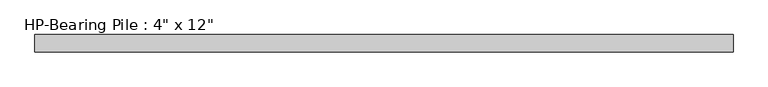
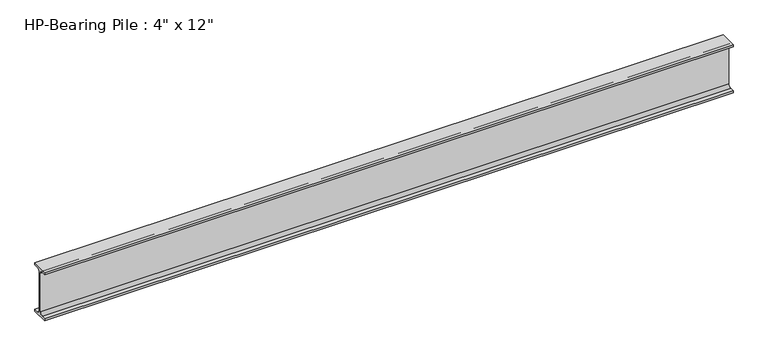
"""IFC4 building model written with IfcOpenShell, lengths in millimetres: beam geometry."""

from ifc_helpers import new_model, si_unit, point, frame, frame_2d, origin, place, context, project, spatial, polyline, circle_curve, trimmed, segment, composite_curve, outline, extrude, source, transform, mapped, element, save


def beam_877b27ff(model_context):
    return source(origin(), model_context, "Body", "SweptSolid", [
        extrude(outline(composite_curve([segment(polyline([(50.8, -139.7), (50.8, -152.4), (-50.8, -152.4), (-50.8, -139.7), (-25.4, -139.7)]), True, "CONTINUOUS"), segment(trimmed(circle_curve(frame_2d((-25.4, -120.65)), 19.05), [point((-25.4, -139.7))], [point((-6.35, -120.65))], True, "CARTESIAN"), True, "CONTINUOUS"), segment(polyline([(-6.35, -120.65), (-6.35, 120.65)]), True, "CONTINUOUS"), segment(trimmed(circle_curve(frame_2d((-25.4, 120.65)), 19.05), [point((-6.35, 120.65))], [point((-25.4, 139.7))], True, "CARTESIAN"), True, "CONTINUOUS"), segment(polyline([(-25.4, 139.7), (-50.8, 139.7), (-50.8, 152.4), (50.8, 152.4), (50.8, 139.7), (25.4, 139.7)]), True, "CONTINUOUS"), segment(trimmed(circle_curve(frame_2d((25.4, 120.65)), 19.05), [point((25.4, 139.7))], [point((6.35, 120.65))], True, "CARTESIAN"), True, "CONTINUOUS"), segment(polyline([(6.35, 120.65), (6.35, -120.65)]), True, "CONTINUOUS"), segment(trimmed(circle_curve(frame_2d((25.4, -120.65)), 19.05), [point((6.35, -120.65))], [point((25.4, -139.7))], True, "CARTESIAN"), True, "CONTINUOUS"), segment(polyline([(25.4, -139.7), (50.8, -139.7)]), True, "CONTINUOUS")], self_intersect=False)), frame((-2057.4, 0.0, 0.0), z_axis=(1.0, 0.0, 0.0), x_axis=(0.0, 1.0, 0.0)), (0.0, 0.0, 1.0), 4114.8),
    ])


if __name__ == "__main__":
    model = new_model("IFC4")
    model_context = context("Model", 3, world=origin())
    ifc_project = project(units=[si_unit("LENGTHUNIT", "METRE", prefix="MILLI")], contexts=[model_context])
    site = spatial("IfcSite", under=ifc_project)
    building = spatial("IfcBuilding", under=site)
    placement = place(None, origin())
    beam_shape = beam_877b27ff(model_context)
    element("IfcBeam", 1, ObjectType="HP-Bearing Pile : 4\" x 12\"", at=placement, inside=building, context=model_context, shape_type="MappedRepresentation", body=[
        mapped(beam_shape, transform((0.0, 0.0, 0.0), x_axis=(1.0, 0.0, 0.0), y_axis=(0.0, 1.0, 0.0), z_axis=(0.0, 0.0, 1.0))),
    ])
    save(model, "model.ifc")
